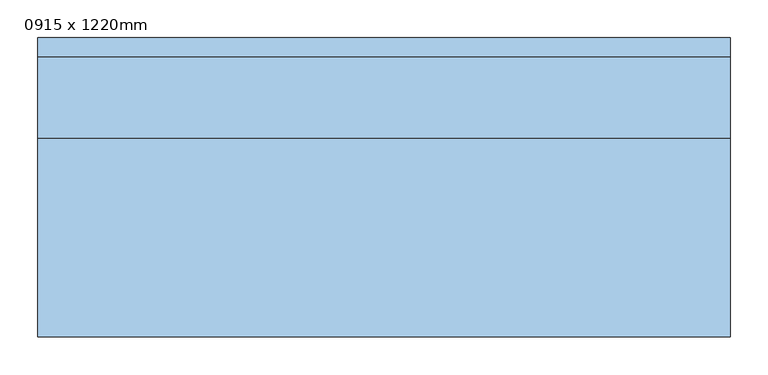
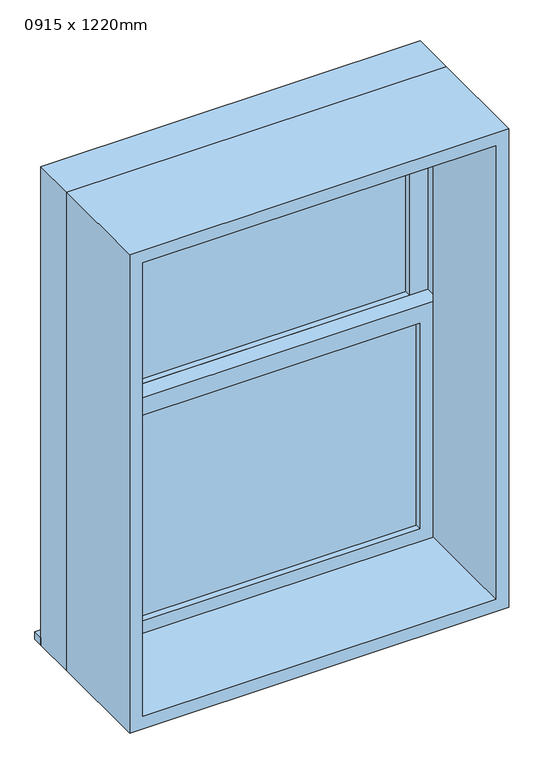
"""IFC4 building model written with IfcOpenShell, lengths in millimetres: window geometry, 0915 x 1220mm."""

from ifc_helpers import new_model, si_unit, frame, origin, place, context, project, spatial, polyline, outline, extrude, source, transform, mapped, element, save


def window_0915_x_1220mm_e3f0ec59(model_context):
    return source(origin(), model_context, "Body", "SweptSolid", [
        extrude(outline(polyline([(-394.0, 105.675), (394.0, 105.675), (394.0, 92.975), (-394.0, 92.975), (-394.0, 105.675)])), frame((0.0, 0.0, 978.5), z_axis=(0.0, 0.0, 1.0), x_axis=(1.0, 0.0, 0.0)), (0.0, 0.0, 1.0), 524.275),
        extrude(outline(polyline([(1547.225, -438.45), (934.05, -438.45), (934.05, 438.45), (1547.225, 438.45), (1547.225, -438.45)]), holes=[polyline([(1502.775, -394.0), (1502.775, 394.0), (978.5, 394.0), (978.5, -394.0), (1502.775, -394.0)])]), frame((0.0, 77.1, 0.0), z_axis=(0.0, 1.0, 0.0), x_axis=(0.0, 0.0, 1.0)), (0.0, 0.0, 1.0), 44.45),
        extrude(outline(polyline([(-457.5, 210.4), (457.5, 210.4), (457.5, 185.0), (-457.5, 185.0), (-457.5, 210.4)])), frame((0.0, 0.0, 915.0), z_axis=(0.0, 0.0, 1.0), x_axis=(1.0, 0.0, 0.0)), (0.0, 0.0, 1.0), 19.05),
        extrude(outline(polyline([(394.0, 137.425), (-394.0, 137.425), (-394.0, 150.125), (394.0, 150.125), (394.0, 137.425)])), frame((0.0, 0.0, 1547.225), z_axis=(0.0, 0.0, 1.0), x_axis=(1.0, 0.0, 0.0)), (0.0, 0.0, 1.0), 524.275),
        extrude(outline(polyline([(2115.95, -438.45), (1502.775, -438.45), (1502.775, 438.45), (2115.95, 438.45), (2115.95, -438.45)]), holes=[polyline([(2071.5, -394.0), (2071.5, 394.0), (1547.225, 394.0), (1547.225, -394.0), (2071.5, -394.0)])]), frame((0.0, 121.55, 0.0), z_axis=(0.0, 1.0, 0.0), x_axis=(0.0, 0.0, 1.0)), (0.0, 0.0, 1.0), 44.45),
        extrude(outline(polyline([(2135.0, -457.5), (915.0, -457.5), (915.0, 457.5), (2135.0, 457.5), (2135.0, -457.5)]), holes=[polyline([(2103.25, -425.75), (2103.25, 425.75), (946.75, 425.75), (946.75, -425.75), (2103.25, -425.75)])]), frame((0.0, -185.0, 0.0), z_axis=(0.0, 1.0, 0.0), x_axis=(0.0, 0.0, 1.0)), (0.0, 0.0, 1.0), 262.1),
        extrude(outline(polyline([(2135.0, 457.5), (2135.0, -457.5), (915.0, -457.5), (915.0, 457.5), (2135.0, 457.5)]), holes=[polyline([(2115.95, 438.45), (934.05, 438.45), (934.05, -438.45), (2115.95, -438.45), (2115.95, 438.45)])]), frame((0.0, 77.1, 0.0), z_axis=(0.0, 1.0, 0.0), x_axis=(0.0, 0.0, 1.0)), (0.0, 0.0, 1.0), 107.9),
    ])


if __name__ == "__main__":
    model = new_model("IFC4")
    model_context = context("Model", 3, world=origin())
    ifc_project = project(units=[si_unit("LENGTHUNIT", "METRE", prefix="MILLI")], contexts=[model_context])
    site = spatial("IfcSite", under=ifc_project)
    building = spatial("IfcBuilding", under=site)
    placement = place(None, origin())
    window_0915_x_1220mm_shape = window_0915_x_1220mm_e3f0ec59(model_context)
    element("IfcWindow", 1, ObjectType="0915 x 1220mm", at=placement, inside=building, context=model_context, shape_type="MappedRepresentation", body=[
        mapped(window_0915_x_1220mm_shape, transform((0.0, 0.0, 0.0), x_axis=(1.0, 0.0, 0.0), y_axis=(0.0, 1.0, 0.0), z_axis=(0.0, 0.0, 1.0))),
    ])
    save(model, "model.ifc")
